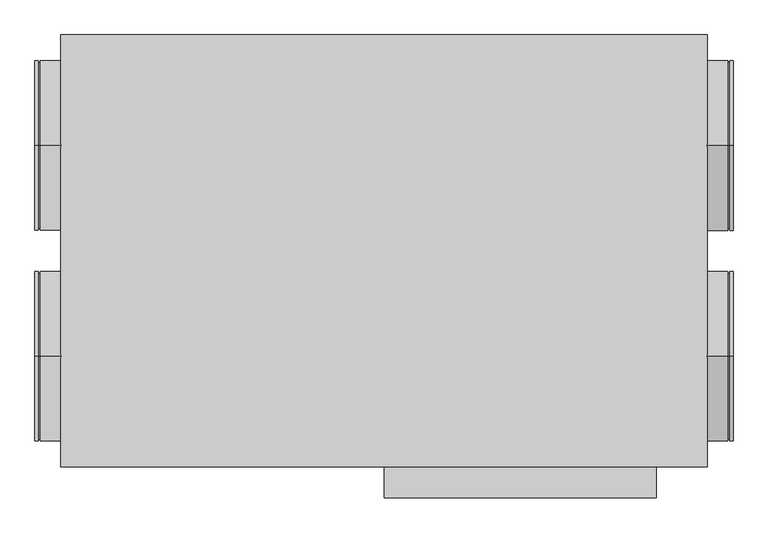
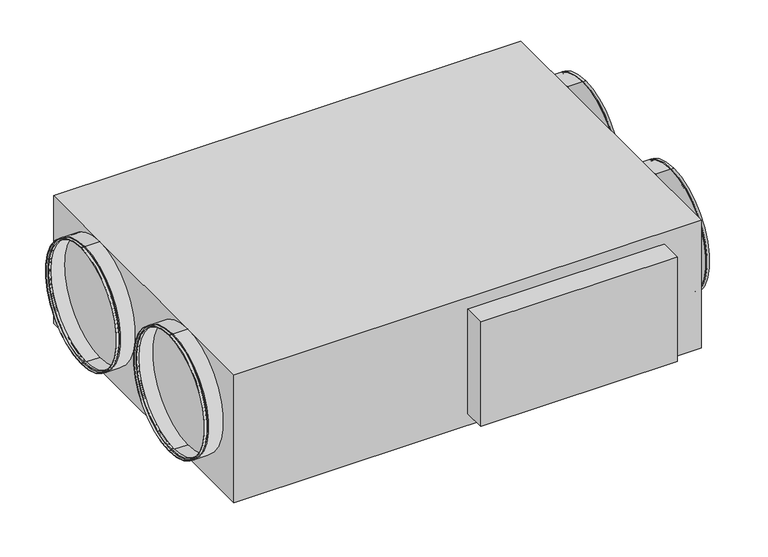
"""IFC4 building model written with IfcOpenShell, lengths in millimetres: proxy geometry."""

import ifcopenshell
import ifcopenshell.guid

model = None  # the IFC model being written
_history = None  # IfcOwnerHistory: only IFC2X3 demands one
_inside = {}  # id of a spatial element -> (the spatial element, [elements in it])
_under = {}  # id of a project, library or spatial element -> (it, [spatial elements below it])
_declared = {}  # id of a project -> (the project, [libraries it declares])
_typed = {}  # id of a type object -> (the type object, [elements of that type])
_made_of = {}  # id of a material, layer set ... -> (it, [elements and type objects made of it])


def new_model(schema):
    """Start an empty IFC model of exactly this schema.

    Asked for "IFC4X3", IfcOpenShell would pick the latest addendum, in which some entities
    have other attributes; the version numbers below select the first issue.
    IFC2X3 requires an IfcOwnerHistory on every rooted entity: one is made here for all.
    """
    global model, _history
    if schema == "IFC4X3":
        model = ifcopenshell.file(schema_version=(4, 3, 0, 0))
    else:
        model = ifcopenshell.file(schema=schema)
    _inside.clear()
    _under.clear()
    _declared.clear()
    _typed.clear()
    _made_of.clear()
    _history = None
    if model.schema == "IFC2X3":
        org = make("IfcOrganization", Name="unknown")
        user = make(
            "IfcPersonAndOrganization",
            ThePerson=make("IfcPerson", FamilyName="unknown"),
            TheOrganization=org,
        )
        app = make(
            "IfcApplication",
            ApplicationDeveloper=org,
            Version="unknown",
            ApplicationFullName="unknown",
            ApplicationIdentifier="unknown",
        )
        _history = make(
            "IfcOwnerHistory",
            OwningUser=user,
            OwningApplication=app,
            ChangeAction="ADDED",
            CreationDate=0,
        )
    return model


def make(cls, **values):
    """One entity of the class cls with the attributes given. An attribute that is None is left unset."""
    return model.create_entity(
        cls, **{name: value for name, value in values.items() if value is not None}
    )


def rooted(cls, **values):
    """An entity with a GlobalId (a new one), such as an element, a storey or a relation."""
    return make(cls, GlobalId=ifcopenshell.guid.new(), OwnerHistory=_history, **values)


def si_unit(unit_type, name, prefix=None):
    """IfcSIUnit, for example si_unit("LENGTHUNIT", "METRE", prefix="MILLI")."""
    return make("IfcSIUnit", UnitType=unit_type, Prefix=prefix, Name=name)


def assignment(units):
    """IfcUnitAssignment: the units of a project."""
    return None if units is None else make("IfcUnitAssignment", Units=units)


def point(xyz):
    """IfcCartesianPoint."""
    return None if xyz is None else make("IfcCartesianPoint", Coordinates=xyz)


def direction(xyz):
    """IfcDirection."""
    return None if xyz is None else make("IfcDirection", DirectionRatios=xyz)


def frame(location, z_axis=None, x_axis=None):
    """IfcAxis2Placement3D, a coordinate frame: its origin and axes. An axis left out is left unset."""
    return make(
        "IfcAxis2Placement3D",
        Location=point(location),
        Axis=direction(z_axis),
        RefDirection=direction(x_axis),
    )


def origin():
    """The frame at (0, 0, 0) with its axes left unset."""
    return frame((0.0, 0.0, 0.0))


def origin_with_axes():
    """The frame at (0, 0, 0) with the z axis (0, 0, 1) and the x axis (1, 0, 0) written out."""
    return frame((0.0, 0.0, 0.0), z_axis=(0.0, 0.0, 1.0), x_axis=(1.0, 0.0, 0.0))


def place(relative_to, where):
    """IfcLocalPlacement: puts the frame where relative to a parent placement (None: the world)."""
    return make(
        "IfcLocalPlacement", PlacementRelTo=relative_to, RelativePlacement=where
    )


def context(
    kind, dimensions, precision=None, world=None, true_north=None, identifier=None
):
    """IfcGeometricRepresentationContext, for example the 3D "Model" context."""
    return make(
        "IfcGeometricRepresentationContext",
        ContextIdentifier=identifier,
        ContextType=kind,
        CoordinateSpaceDimension=dimensions,
        Precision=precision,
        WorldCoordinateSystem=world,
        TrueNorth=true_north,
    )


def project(units=None, contexts=None):
    """IfcProject with its units and contexts."""
    return rooted(
        "IfcProject",
        Name="project",
        RepresentationContexts=contexts,
        UnitsInContext=assignment(units),
    )


def spatial(cls, under=None, at=None, **own):
    """A site, building, storey or space (cls), placed at a placement, below another one or the project."""
    s = rooted(cls, ObjectPlacement=at, **own)
    if under is not None:
        _under.setdefault(under.id(), (under, []))[1].append(s)
    return s


def polyline(points):
    """IfcPolyline through the points."""
    return make("IfcPolyline", Points=[point(p) for p in points])


def circle_curve(where, radius):
    """IfcCircle in the frame where."""
    return make("IfcCircle", Position=where, Radius=radius)


def outline(outer, holes=None, kind="AREA"):
    """IfcArbitraryClosedProfileDef: a profile drawn as a closed curve; with holes, ...WithVoids."""
    if holes is None:
        return make("IfcArbitraryClosedProfileDef", ProfileType=kind, OuterCurve=outer)
    return make(
        "IfcArbitraryProfileDefWithVoids",
        ProfileType=kind,
        OuterCurve=outer,
        InnerCurves=holes,
    )


def extrude(swept, where, along, depth):
    """IfcExtrudedAreaSolid: the profile swept, set in the frame where, extruded along a direction by depth."""
    return make(
        "IfcExtrudedAreaSolid",
        SweptArea=swept,
        Position=where,
        ExtrudedDirection=direction(along),
        Depth=depth,
    )


def shape(context_of_items, identifier, shape_type, items):
    """IfcShapeRepresentation: the items that make up one representation, for example the "Body"."""
    return make(
        "IfcShapeRepresentation",
        ContextOfItems=context_of_items,
        RepresentationIdentifier=identifier,
        RepresentationType=shape_type,
        Items=items,
    )


def source(mapping_origin, context_of_items, identifier, shape_type, items):
    """IfcRepresentationMap: a shape defined once, which mapped items show again and again."""
    return make(
        "IfcRepresentationMap",
        MappingOrigin=mapping_origin,
        MappedRepresentation=shape(context_of_items, identifier, shape_type, items),
    )


def transform(
    local_origin,
    x_axis=None,
    y_axis=None,
    z_axis=None,
    scale=None,
    scale2=None,
    scale3=None,
    uniform=True,
):
    """IfcCartesianTransformationOperator3D, or its non-uniform kind. x_axis, y_axis, z_axis: its Axis1, 2, 3."""
    if uniform:
        return make(
            "IfcCartesianTransformationOperator3D",
            Axis1=direction(x_axis),
            Axis2=direction(y_axis),
            LocalOrigin=point(local_origin),
            Scale=scale,
            Axis3=direction(z_axis),
        )
    return make(
        "IfcCartesianTransformationOperator3DnonUniform",
        Axis1=direction(x_axis),
        Axis2=direction(y_axis),
        LocalOrigin=point(local_origin),
        Scale=scale,
        Axis3=direction(z_axis),
        Scale2=scale2,
        Scale3=scale3,
    )


def mapped(mapping_source, mapping_target):
    """IfcMappedItem: shows the shape of a source again, moved by a transform."""
    return make(
        "IfcMappedItem", MappingSource=mapping_source, MappingTarget=mapping_target
    )


def made_of(thing, what):
    """Note that an element or type object is made of a material, layer set ...; save() writes the relation."""
    if what is not None:
        _made_of.setdefault(what.id(), (what, []))[1].append(thing)
    return thing


def element(
    cls,
    number,
    at=None,
    inside=None,
    cuts=None,
    type_object=None,
    material=None,
    context=None,
    identifier="Body",
    shape_type=None,
    held_by="IfcProductDefinitionShape",
    body=None,
    shapes=None,
    **own,
):
    """One element of the class cls, such as IfcWall. Its Tag is "e" and its number.

    at: its placement. inside: the storey or other place that contains it. cuts: it is an
    opening in that element (IfcRelVoidsElement). A single representation is given by context,
    identifier, shape_type and body (its items); several are given by shapes. held_by: the class
    of the entity that holds the representations. save() writes the other relations.
    """
    e = rooted(cls, Tag="e%d" % number, ObjectPlacement=at, **own)
    if body is not None:
        shapes = [shape(context, identifier, shape_type, body)]
    if shapes is not None:
        e.Representation = make(held_by, Representations=shapes)
    if inside is not None:
        _inside.setdefault(inside.id(), (inside, []))[1].append(e)
    if cuts is not None:
        rooted(
            "IfcRelVoidsElement", RelatingBuildingElement=cuts, RelatedOpeningElement=e
        )
    if type_object is not None:
        _typed.setdefault(type_object.id(), (type_object, []))[1].append(e)
    return made_of(e, material)


def aggregate(whole, parts):
    """IfcRelAggregates: a whole, such as a stair, and the parts it consists of."""
    return rooted("IfcRelAggregates", RelatingObject=whole, RelatedObjects=parts)


def save(model, path):
    """Write the relations noted so far, then the file.

    IfcRelAggregates (storeys below a building ...), IfcRelContainedInSpatialStructure (elements
    in a storey), IfcRelDefinesByType, IfcRelAssociatesMaterial and IfcRelDeclares: one each for
    every whole, place, type object, material and project.
    """
    for whole, parts in _under.values():
        aggregate(whole, parts)
    for where, things in _inside.values():
        rooted(
            "IfcRelContainedInSpatialStructure",
            RelatedElements=things,
            RelatingStructure=where,
        )
    for kind, things in _typed.values():
        rooted("IfcRelDefinesByType", RelatedObjects=things, RelatingType=kind)
    for what, things in _made_of.values():
        rooted("IfcRelAssociatesMaterial", RelatedObjects=things, RelatingMaterial=what)
    for by, libraries in _declared.values():
        rooted("IfcRelDeclares", RelatingContext=by, RelatedDefinitions=libraries)
    model.write(path)


def plane_surface(at):
    """IfcPlane: the flat surface through the origin of the frame at, square to its z axis."""
    return make("IfcPlane", Position=at)


def cylinder_surface(at, radius):
    """IfcCylindricalSurface: all points at the distance radius from the z axis of the frame at."""
    return make("IfcCylindricalSurface", Position=at, Radius=radius)


def revolved_surface(curve, axis_point, axis_direction):
    """IfcSurfaceOfRevolution: the curve turned about the line through axis_point along axis_direction."""
    return make(
        "IfcSurfaceOfRevolution",
        SweptCurve=make("IfcArbitraryOpenProfileDef", ProfileType="CURVE", Curve=curve),
        AxisPosition=make("IfcAxis1Placement", Location=point(axis_point), Axis=direction(axis_direction)),
    )


def advanced_brep(points, edges, surfaces, faces):
    """IfcAdvancedBrep: a solid bounded by faces that lie on surfaces and meet in shared edges.

    An edge is (start, end): straight between two places in points (the first is 0);
    or (start, end, curve); or (start, end, curve, False) where it runs against its curve.
    A face is (place in surfaces, loops), or (place, loops, False) where it looks against
    its surface's normal. A loop lists edges by number (the first is 1), with a minus sign
    where the edge is run from its end to its start. The first loop is the outer one.
    """
    corners = [point(p) for p in points]
    vertices = [make("IfcVertexPoint", VertexGeometry=c) for c in corners]
    made = []
    for start, end, *more in edges:
        made.append(
            make(
                "IfcEdgeCurve",
                EdgeStart=vertices[start],
                EdgeEnd=vertices[end],
                EdgeGeometry=more[0] if more else make("IfcPolyline", Points=[corners[start], corners[end]]),
                SameSense=more[1] if len(more) > 1 else True,
            )
        )
    hull = []
    for where, loops, *sense in faces:
        bounds = []
        for j, loop in enumerate(loops):
            ring = [make("IfcOrientedEdge", EdgeElement=made[abs(k) - 1], Orientation=k > 0) for k in loop]
            bounds.append(
                make(
                    "IfcFaceOuterBound" if j == 0 else "IfcFaceBound",
                    Bound=make("IfcEdgeLoop", EdgeList=ring),
                    Orientation=True,
                )
            )
        hull.append(make("IfcAdvancedFace", Bounds=bounds, FaceSurface=surfaces[where], SameSense=sense[0] if sense else True))
    return make("IfcAdvancedBrep", Outer=make("IfcClosedShell", CfsFaces=hull))


def mechanical_equipment_69a0a9dc(model_context):
    return source(origin(), model_context, "Body", "SolidModel", [
        advanced_brep(
        [(-1016.0, -310.0, 550.0), (-1016.0, -310.0, 50.0), (-1026.0, -310.0, 50.0), (-1026.0, -310.0, 550.0), (-1016.0, -310.0, 545.0), (-1016.0, -310.0, 55.0), (-1011.0, -310.0, 545.0), (-1011.0, -310.0, 55.0), (-1011.0, -310.0, 550.0), (-1011.0, -310.0, 50.0), (-950.0, -310.0, 550.0), (-950.0, -310.0, 50.0), (-950.0, -310.0, 548.0), (-950.0, -310.0, 52.0), (-1009.0, -310.0, 548.0), (-1009.0, -310.0, 52.0), (-1009.0, -310.0, 543.0), (-1009.0, -310.0, 57.0), (-1018.0, -310.0, 543.0), (-1018.0, -310.0, 57.0), (-1018.0, -310.0, 548.0), (-1018.0, -310.0, 52.0), (-1026.0, -310.0, 548.0), (-1026.0, -310.0, 52.0)],
        [
            (0, 1, circle_curve(frame((-1016.0, -310.0, 300.0), z_axis=(-1.0, 0.0, 0.0), x_axis=(0.0, 0.0, -1.0)), 250.0)),
            (1, 2),
            (2, 3, circle_curve(frame((-1026.0, -310.0, 300.0), z_axis=(1.0, 0.0, 0.0), x_axis=(0.0, 0.0, -1.0)), 250.0)),
            (3, 0),
            (1, 0, circle_curve(frame((-1016.0, -310.0, 300.0), z_axis=(-1.0, 0.0, 0.0), x_axis=(0.0, 0.0, -1.0)), 250.0)),
            (3, 2, circle_curve(frame((-1026.0, -310.0, 300.0), z_axis=(1.0, 0.0, 0.0), x_axis=(0.0, 0.0, -1.0)), 250.0)),
            (4, 5, circle_curve(frame((-1016.0, -310.0, 300.0), z_axis=(-1.0, 0.0, 0.0), x_axis=(0.0, 0.0, -1.0)), 245.0)),
            (5, 1),
            (0, 4),
            (5, 4, circle_curve(frame((-1016.0, -310.0, 300.0), z_axis=(-1.0, 0.0, 0.0), x_axis=(0.0, 0.0, -1.0)), 245.0)),
            (6, 7, circle_curve(frame((-1011.0, -310.0, 300.0), z_axis=(-1.0, 0.0, 0.0), x_axis=(0.0, 0.0, -1.0)), 245.0)),
            (7, 5),
            (4, 6),
            (7, 6, circle_curve(frame((-1011.0, -310.0, 300.0), z_axis=(-1.0, 0.0, 0.0), x_axis=(0.0, 0.0, -1.0)), 245.0)),
            (8, 9, circle_curve(frame((-1011.0, -310.0, 300.0), z_axis=(-1.0, 0.0, 0.0), x_axis=(0.0, 0.0, -1.0)), 250.0)),
            (9, 7),
            (6, 8),
            (9, 8, circle_curve(frame((-1011.0, -310.0, 300.0), z_axis=(-1.0, 0.0, 0.0), x_axis=(0.0, 0.0, -1.0)), 250.0)),
            (10, 11, circle_curve(frame((-950.0, -310.0, 300.0), z_axis=(-1.0, 0.0, 0.0), x_axis=(0.0, 0.0, -1.0)), 250.0)),
            (11, 9),
            (8, 10),
            (11, 10, circle_curve(frame((-950.0, -310.0, 300.0), z_axis=(-1.0, 0.0, 0.0), x_axis=(0.0, 0.0, -1.0)), 250.0)),
            (12, 13, circle_curve(frame((-950.0, -310.0, 300.0), z_axis=(-1.0, 0.0, 0.0), x_axis=(0.0, 0.0, -1.0)), 248.0)),
            (13, 11),
            (10, 12),
            (13, 12, circle_curve(frame((-950.0, -310.0, 300.0), z_axis=(-1.0, 0.0, 0.0), x_axis=(0.0, 0.0, -1.0)), 248.0)),
            (14, 15, circle_curve(frame((-1009.0, -310.0, 300.0), z_axis=(-1.0, 0.0, 0.0), x_axis=(0.0, 0.0, -1.0)), 248.0)),
            (15, 13),
            (12, 14),
            (15, 14, circle_curve(frame((-1009.0, -310.0, 300.0), z_axis=(-1.0, 0.0, 0.0), x_axis=(0.0, 0.0, -1.0)), 248.0)),
            (16, 17, circle_curve(frame((-1009.0, -310.0, 300.0), z_axis=(-1.0, 0.0, 0.0), x_axis=(0.0, 0.0, -1.0)), 243.0)),
            (17, 15),
            (14, 16),
            (17, 16, circle_curve(frame((-1009.0, -310.0, 300.0), z_axis=(-1.0, 0.0, 0.0), x_axis=(0.0, 0.0, -1.0)), 243.0)),
            (18, 19, circle_curve(frame((-1018.0, -310.0, 300.0), z_axis=(-1.0, 0.0, 0.0), x_axis=(0.0, 0.0, -1.0)), 243.0)),
            (19, 17),
            (16, 18),
            (19, 18, circle_curve(frame((-1018.0, -310.0, 300.0), z_axis=(-1.0, 0.0, 0.0), x_axis=(0.0, 0.0, -1.0)), 243.0)),
            (20, 21, circle_curve(frame((-1018.0, -310.0, 300.0), z_axis=(-1.0, 0.0, 0.0), x_axis=(0.0, 0.0, -1.0)), 248.0)),
            (21, 19),
            (18, 20),
            (21, 20, circle_curve(frame((-1018.0, -310.0, 300.0), z_axis=(-1.0, 0.0, 0.0), x_axis=(0.0, 0.0, -1.0)), 248.0)),
            (22, 23, circle_curve(frame((-1026.0, -310.0, 300.0), z_axis=(-1.0, 0.0, 0.0), x_axis=(0.0, 0.0, -1.0)), 248.0)),
            (23, 21),
            (20, 22),
            (23, 22, circle_curve(frame((-1026.0, -310.0, 300.0), z_axis=(-1.0, 0.0, 0.0), x_axis=(0.0, 0.0, -1.0)), 248.0)),
            (2, 23),
            (22, 3),
        ],
        [
            cylinder_surface(frame((-2561.0440172, -310.0, 300.0), z_axis=(1.0, 0.0, 0.0), x_axis=(0.0, 0.0, -1.0)), 250.0),
            plane_surface(frame((-1016.0, -310.0, 300.0), z_axis=(1.0, 0.0, 0.0), x_axis=(0.0, 0.0, -1.0))),
            cylinder_surface(frame((-2561.0440172, -310.0, 300.0), z_axis=(1.0, 0.0, 0.0), x_axis=(0.0, 0.0, -1.0)), 245.0),
            plane_surface(frame((-1011.0, -310.0, 300.0), z_axis=(-1.0, 0.0, 0.0), x_axis=(0.0, 0.0, -1.0))),
            plane_surface(frame((-950.0, -310.0, 300.0), z_axis=(1.0, 0.0, 0.0), x_axis=(0.0, 0.0, -1.0))),
            revolved_surface(polyline([(-950.0, -310.0, 52.0), (-1009.0, -310.0, 52.0)]), (-2561.0440172, -310.0, 300.0), (1.0, 0.0, 0.0)),
            plane_surface(frame((-1009.0, -310.0, 300.0), z_axis=(1.0, 0.0, 0.0), x_axis=(0.0, 0.0, -1.0))),
            revolved_surface(polyline([(-1009.0, -310.0, 57.0), (-1018.0, -310.0, 57.0)]), (-2561.0440172, -310.0, 300.0), (1.0, 0.0, 0.0)),
            plane_surface(frame((-1018.0, -310.0, 300.0), z_axis=(-1.0, 0.0, 0.0), x_axis=(0.0, 0.0, -1.0))),
            revolved_surface(polyline([(-1018.0, -310.0, 52.0), (-1026.0, -310.0, 52.0)]), (-2561.0440172, -310.0, 300.0), (1.0, 0.0, 0.0)),
            plane_surface(frame((-1026.0, -310.0, 300.0), z_axis=(-1.0, 0.0, 0.0), x_axis=(0.0, 0.0, -1.0))),
        ],
        [
            (0, [[1, 2, 3, 4]]),
            (0, [[5, -4, 6, -2]]),
            (1, [[7, 8, -1, 9]]),
            (1, [[10, -9, -5, -8]]),
            (2, [[11, 12, -7, 13]]),
            (2, [[14, -13, -10, -12]]),
            (3, [[15, 16, -11, 17]]),
            (3, [[18, -17, -14, -16]]),
            (0, [[19, 20, -15, 21]]),
            (0, [[22, -21, -18, -20]]),
            (4, [[23, 24, -19, 25]]),
            (4, [[26, -25, -22, -24]]),
            (5, [[27, 28, -23, 29]]),
            (5, [[30, -29, -26, -28]]),
            (6, [[31, 32, -27, 33]]),
            (6, [[34, -33, -30, -32]]),
            (7, [[35, 36, -31, 37]]),
            (7, [[38, -37, -34, -36]]),
            (8, [[39, 40, -35, 41]]),
            (8, [[42, -41, -38, -40]]),
            (9, [[43, 44, -39, 45]]),
            (9, [[46, -45, -42, -44]]),
            (10, [[-3, 47, -43, 48]]),
            (10, [[-6, -48, -46, -47]]),
        ],
    ),
        advanced_brep(
        [(-1016.0, 310.0, 550.0), (-1016.0, 310.0, 50.0), (-1026.0, 310.0, 50.0), (-1026.0, 310.0, 550.0), (-1016.0, 310.0, 545.0), (-1016.0, 310.0, 55.0), (-1011.0, 310.0, 545.0), (-1011.0, 310.0, 55.0), (-1011.0, 310.0, 550.0), (-1011.0, 310.0, 50.0), (-950.0, 310.0, 550.0), (-950.0, 310.0, 50.0), (-950.0, 310.0, 548.0), (-950.0, 310.0, 52.0), (-1009.0, 310.0, 548.0), (-1009.0, 310.0, 52.0), (-1009.0, 310.0, 543.0), (-1009.0, 310.0, 57.0), (-1018.0, 310.0, 543.0), (-1018.0, 310.0, 57.0), (-1018.0, 310.0, 548.0), (-1018.0, 310.0, 52.0), (-1026.0, 310.0, 548.0), (-1026.0, 310.0, 52.0)],
        [
            (0, 1, circle_curve(frame((-1016.0, 310.0, 300.0), z_axis=(-1.0, 0.0, 0.0), x_axis=(0.0, 0.0, -1.0)), 250.0)),
            (1, 2),
            (2, 3, circle_curve(frame((-1026.0, 310.0, 300.0), z_axis=(1.0, 0.0, 0.0), x_axis=(0.0, 0.0, -1.0)), 250.0)),
            (3, 0),
            (1, 0, circle_curve(frame((-1016.0, 310.0, 300.0), z_axis=(-1.0, 0.0, 0.0), x_axis=(0.0, 0.0, -1.0)), 250.0)),
            (3, 2, circle_curve(frame((-1026.0, 310.0, 300.0), z_axis=(1.0, 0.0, 0.0), x_axis=(0.0, 0.0, -1.0)), 250.0)),
            (4, 5, circle_curve(frame((-1016.0, 310.0, 300.0), z_axis=(-1.0, 0.0, 0.0), x_axis=(0.0, 0.0, -1.0)), 245.0)),
            (5, 1),
            (0, 4),
            (5, 4, circle_curve(frame((-1016.0, 310.0, 300.0), z_axis=(-1.0, 0.0, 0.0), x_axis=(0.0, 0.0, -1.0)), 245.0)),
            (6, 7, circle_curve(frame((-1011.0, 310.0, 300.0), z_axis=(-1.0, 0.0, 0.0), x_axis=(0.0, 0.0, -1.0)), 245.0)),
            (7, 5),
            (4, 6),
            (7, 6, circle_curve(frame((-1011.0, 310.0, 300.0), z_axis=(-1.0, 0.0, 0.0), x_axis=(0.0, 0.0, -1.0)), 245.0)),
            (8, 9, circle_curve(frame((-1011.0, 310.0, 300.0), z_axis=(-1.0, 0.0, 0.0), x_axis=(0.0, 0.0, -1.0)), 250.0)),
            (9, 7),
            (6, 8),
            (9, 8, circle_curve(frame((-1011.0, 310.0, 300.0), z_axis=(-1.0, 0.0, 0.0), x_axis=(0.0, 0.0, -1.0)), 250.0)),
            (10, 11, circle_curve(frame((-950.0, 310.0, 300.0), z_axis=(-1.0, 0.0, 0.0), x_axis=(0.0, 0.0, -1.0)), 250.0)),
            (11, 9),
            (8, 10),
            (11, 10, circle_curve(frame((-950.0, 310.0, 300.0), z_axis=(-1.0, 0.0, 0.0), x_axis=(0.0, 0.0, -1.0)), 250.0)),
            (12, 13, circle_curve(frame((-950.0, 310.0, 300.0), z_axis=(-1.0, 0.0, 0.0), x_axis=(0.0, 0.0, -1.0)), 248.0)),
            (13, 11),
            (10, 12),
            (13, 12, circle_curve(frame((-950.0, 310.0, 300.0), z_axis=(-1.0, 0.0, 0.0), x_axis=(0.0, 0.0, -1.0)), 248.0)),
            (14, 15, circle_curve(frame((-1009.0, 310.0, 300.0), z_axis=(-1.0, 0.0, 0.0), x_axis=(0.0, 0.0, -1.0)), 248.0)),
            (15, 13),
            (12, 14),
            (15, 14, circle_curve(frame((-1009.0, 310.0, 300.0), z_axis=(-1.0, 0.0, 0.0), x_axis=(0.0, 0.0, -1.0)), 248.0)),
            (16, 17, circle_curve(frame((-1009.0, 310.0, 300.0), z_axis=(-1.0, 0.0, 0.0), x_axis=(0.0, 0.0, -1.0)), 243.0)),
            (17, 15),
            (14, 16),
            (17, 16, circle_curve(frame((-1009.0, 310.0, 300.0), z_axis=(-1.0, 0.0, 0.0), x_axis=(0.0, 0.0, -1.0)), 243.0)),
            (18, 19, circle_curve(frame((-1018.0, 310.0, 300.0), z_axis=(-1.0, 0.0, 0.0), x_axis=(0.0, 0.0, -1.0)), 243.0)),
            (19, 17),
            (16, 18),
            (19, 18, circle_curve(frame((-1018.0, 310.0, 300.0), z_axis=(-1.0, 0.0, 0.0), x_axis=(0.0, 0.0, -1.0)), 243.0)),
            (20, 21, circle_curve(frame((-1018.0, 310.0, 300.0), z_axis=(-1.0, 0.0, 0.0), x_axis=(0.0, 0.0, -1.0)), 248.0)),
            (21, 19),
            (18, 20),
            (21, 20, circle_curve(frame((-1018.0, 310.0, 300.0), z_axis=(-1.0, 0.0, 0.0), x_axis=(0.0, 0.0, -1.0)), 248.0)),
            (22, 23, circle_curve(frame((-1026.0, 310.0, 300.0), z_axis=(-1.0, 0.0, 0.0), x_axis=(0.0, 0.0, -1.0)), 248.0)),
            (23, 21),
            (20, 22),
            (23, 22, circle_curve(frame((-1026.0, 310.0, 300.0), z_axis=(-1.0, 0.0, 0.0), x_axis=(0.0, 0.0, -1.0)), 248.0)),
            (2, 23),
            (22, 3),
        ],
        [
            cylinder_surface(frame((-2561.0440172, 310.0, 300.0), z_axis=(1.0, 0.0, 0.0), x_axis=(0.0, 0.0, -1.0)), 250.0),
            plane_surface(frame((-1016.0, 310.0, 300.0), z_axis=(1.0, 0.0, 0.0), x_axis=(0.0, 0.0, -1.0))),
            cylinder_surface(frame((-2561.0440172, 310.0, 300.0), z_axis=(1.0, 0.0, 0.0), x_axis=(0.0, 0.0, -1.0)), 245.0),
            plane_surface(frame((-1011.0, 310.0, 300.0), z_axis=(-1.0, 0.0, 0.0), x_axis=(0.0, 0.0, -1.0))),
            plane_surface(frame((-950.0, 310.0, 300.0), z_axis=(1.0, 0.0, 0.0), x_axis=(0.0, 0.0, -1.0))),
            revolved_surface(polyline([(-950.0, 310.0, 52.0), (-1009.0, 310.0, 52.0)]), (-2561.0440172, 310.0, 300.0), (1.0, 0.0, 0.0)),
            plane_surface(frame((-1009.0, 310.0, 300.0), z_axis=(1.0, 0.0, 0.0), x_axis=(0.0, 0.0, -1.0))),
            revolved_surface(polyline([(-1009.0, 310.0, 57.0), (-1018.0, 310.0, 57.0)]), (-2561.0440172, 310.0, 300.0), (1.0, 0.0, 0.0)),
            plane_surface(frame((-1018.0, 310.0, 300.0), z_axis=(-1.0, 0.0, 0.0), x_axis=(0.0, 0.0, -1.0))),
            revolved_surface(polyline([(-1018.0, 310.0, 52.0), (-1026.0, 310.0, 52.0)]), (-2561.0440172, 310.0, 300.0), (1.0, 0.0, 0.0)),
            plane_surface(frame((-1026.0, 310.0, 300.0), z_axis=(-1.0, 0.0, 0.0), x_axis=(0.0, 0.0, -1.0))),
        ],
        [
            (0, [[1, 2, 3, 4]]),
            (0, [[5, -4, 6, -2]]),
            (1, [[7, 8, -1, 9]]),
            (1, [[10, -9, -5, -8]]),
            (2, [[11, 12, -7, 13]]),
            (2, [[14, -13, -10, -12]]),
            (3, [[15, 16, -11, 17]]),
            (3, [[18, -17, -14, -16]]),
            (0, [[19, 20, -15, 21]]),
            (0, [[22, -21, -18, -20]]),
            (4, [[23, 24, -19, 25]]),
            (4, [[26, -25, -22, -24]]),
            (5, [[27, 28, -23, 29]]),
            (5, [[30, -29, -26, -28]]),
            (6, [[31, 32, -27, 33]]),
            (6, [[34, -33, -30, -32]]),
            (7, [[35, 36, -31, 37]]),
            (7, [[38, -37, -34, -36]]),
            (8, [[39, 40, -35, 41]]),
            (8, [[42, -41, -38, -40]]),
            (9, [[43, 44, -39, 45]]),
            (9, [[46, -45, -42, -44]]),
            (10, [[-3, 47, -43, 48]]),
            (10, [[-6, -48, -46, -47]]),
        ],
    ),
        advanced_brep(
        [(1016.0, 310.0, 50.0), (1016.0, 310.0, 550.0), (1026.0, 310.0, 550.0), (1026.0, 310.0, 50.0), (1016.0, 310.0, 55.0), (1016.0, 310.0, 545.0), (1011.0, 310.0, 55.0), (1011.0, 310.0, 545.0), (1011.0, 310.0, 50.0), (1011.0, 310.0, 550.0), (950.0, 310.0, 50.0), (950.0, 310.0, 550.0), (950.0, 310.0, 52.0), (950.0, 310.0, 548.0), (1009.0, 310.0, 52.0), (1009.0, 310.0, 548.0), (1009.0, 310.0, 57.0), (1009.0, 310.0, 543.0), (1018.0, 310.0, 57.0), (1018.0, 310.0, 543.0), (1018.0, 310.0, 52.0), (1018.0, 310.0, 548.0), (1026.0, 310.0, 52.0), (1026.0, 310.0, 548.0)],
        [
            (0, 1, circle_curve(frame((1016.0, 310.0, 300.0), z_axis=(1.0, 0.0, 0.0), x_axis=(0.0, 0.0, 1.0)), 250.0)),
            (1, 2),
            (2, 3, circle_curve(frame((1026.0, 310.0, 300.0), z_axis=(-1.0, 0.0, 0.0), x_axis=(0.0, 0.0, 1.0)), 250.0)),
            (3, 0),
            (1, 0, circle_curve(frame((1016.0, 310.0, 300.0), z_axis=(1.0, 0.0, 0.0), x_axis=(0.0, 0.0, 1.0)), 250.0)),
            (3, 2, circle_curve(frame((1026.0, 310.0, 300.0), z_axis=(-1.0, 0.0, 0.0), x_axis=(0.0, 0.0, 1.0)), 250.0)),
            (4, 5, circle_curve(frame((1016.0, 310.0, 300.0), z_axis=(1.0, 0.0, 0.0), x_axis=(0.0, 0.0, 1.0)), 245.0)),
            (5, 1),
            (0, 4),
            (5, 4, circle_curve(frame((1016.0, 310.0, 300.0), z_axis=(1.0, 0.0, 0.0), x_axis=(0.0, 0.0, 1.0)), 245.0)),
            (6, 7, circle_curve(frame((1011.0, 310.0, 300.0), z_axis=(1.0, 0.0, 0.0), x_axis=(0.0, 0.0, 1.0)), 245.0)),
            (7, 5),
            (4, 6),
            (7, 6, circle_curve(frame((1011.0, 310.0, 300.0), z_axis=(1.0, 0.0, 0.0), x_axis=(0.0, 0.0, 1.0)), 245.0)),
            (8, 9, circle_curve(frame((1011.0, 310.0, 300.0), z_axis=(1.0, 0.0, 0.0), x_axis=(0.0, 0.0, 1.0)), 250.0)),
            (9, 7),
            (6, 8),
            (9, 8, circle_curve(frame((1011.0, 310.0, 300.0), z_axis=(1.0, 0.0, 0.0), x_axis=(0.0, 0.0, 1.0)), 250.0)),
            (10, 11, circle_curve(frame((950.0, 310.0, 300.0), z_axis=(1.0, 0.0, 0.0), x_axis=(0.0, 0.0, 1.0)), 250.0)),
            (11, 9),
            (8, 10),
            (11, 10, circle_curve(frame((950.0, 310.0, 300.0), z_axis=(1.0, 0.0, 0.0), x_axis=(0.0, 0.0, 1.0)), 250.0)),
            (12, 13, circle_curve(frame((950.0, 310.0, 300.0), z_axis=(1.0, 0.0, 0.0), x_axis=(0.0, 0.0, 1.0)), 248.0)),
            (13, 11),
            (10, 12),
            (13, 12, circle_curve(frame((950.0, 310.0, 300.0), z_axis=(1.0, 0.0, 0.0), x_axis=(0.0, 0.0, 1.0)), 248.0)),
            (14, 15, circle_curve(frame((1009.0, 310.0, 300.0), z_axis=(1.0, 0.0, 0.0), x_axis=(0.0, 0.0, 1.0)), 248.0)),
            (15, 13),
            (12, 14),
            (15, 14, circle_curve(frame((1009.0, 310.0, 300.0), z_axis=(1.0, 0.0, 0.0), x_axis=(0.0, 0.0, 1.0)), 248.0)),
            (16, 17, circle_curve(frame((1009.0, 310.0, 300.0), z_axis=(1.0, 0.0, 0.0), x_axis=(0.0, 0.0, 1.0)), 243.0)),
            (17, 15),
            (14, 16),
            (17, 16, circle_curve(frame((1009.0, 310.0, 300.0), z_axis=(1.0, 0.0, 0.0), x_axis=(0.0, 0.0, 1.0)), 243.0)),
            (18, 19, circle_curve(frame((1018.0, 310.0, 300.0), z_axis=(1.0, 0.0, 0.0), x_axis=(0.0, 0.0, 1.0)), 243.0)),
            (19, 17),
            (16, 18),
            (19, 18, circle_curve(frame((1018.0, 310.0, 300.0), z_axis=(1.0, 0.0, 0.0), x_axis=(0.0, 0.0, 1.0)), 243.0)),
            (20, 21, circle_curve(frame((1018.0, 310.0, 300.0), z_axis=(1.0, 0.0, 0.0), x_axis=(0.0, 0.0, 1.0)), 248.0)),
            (21, 19),
            (18, 20),
            (21, 20, circle_curve(frame((1018.0, 310.0, 300.0), z_axis=(1.0, 0.0, 0.0), x_axis=(0.0, 0.0, 1.0)), 248.0)),
            (22, 23, circle_curve(frame((1026.0, 310.0, 300.0), z_axis=(1.0, 0.0, 0.0), x_axis=(0.0, 0.0, 1.0)), 248.0)),
            (23, 21),
            (20, 22),
            (23, 22, circle_curve(frame((1026.0, 310.0, 300.0), z_axis=(1.0, 0.0, 0.0), x_axis=(0.0, 0.0, 1.0)), 248.0)),
            (2, 23),
            (22, 3),
        ],
        [
            cylinder_surface(frame((2561.0440172, 310.0, 300.0), z_axis=(-1.0, 0.0, 0.0), x_axis=(0.0, 0.0, 1.0)), 250.0),
            plane_surface(frame((1016.0, 310.0, 300.0), z_axis=(-1.0, 0.0, 0.0), x_axis=(0.0, 0.0, 1.0))),
            cylinder_surface(frame((2561.0440172, 310.0, 300.0), z_axis=(-1.0, 0.0, 0.0), x_axis=(0.0, 0.0, 1.0)), 245.0),
            plane_surface(frame((1011.0, 310.0, 300.0), z_axis=(1.0, 0.0, 0.0), x_axis=(0.0, 0.0, 1.0))),
            plane_surface(frame((950.0, 310.0, 300.0), z_axis=(-1.0, 0.0, 0.0), x_axis=(0.0, 0.0, 1.0))),
            revolved_surface(polyline([(950.0, 310.0, 548.0), (1009.0, 310.0, 548.0)]), (2561.0440172, 310.0, 300.0), (-1.0, 0.0, 0.0)),
            plane_surface(frame((1009.0, 310.0, 300.0), z_axis=(-1.0, 0.0, 0.0), x_axis=(0.0, 0.0, 1.0))),
            revolved_surface(polyline([(1009.0, 310.0, 543.0), (1018.0, 310.0, 543.0)]), (2561.0440172, 310.0, 300.0), (-1.0, 0.0, 0.0)),
            plane_surface(frame((1018.0, 310.0, 300.0), z_axis=(1.0, 0.0, 0.0), x_axis=(0.0, 0.0, 1.0))),
            revolved_surface(polyline([(1018.0, 310.0, 548.0), (1026.0, 310.0, 548.0)]), (2561.0440172, 310.0, 300.0), (-1.0, 0.0, 0.0)),
            plane_surface(frame((1026.0, 310.0, 300.0), z_axis=(1.0, 0.0, 0.0), x_axis=(0.0, 0.0, 1.0))),
        ],
        [
            (0, [[1, 2, 3, 4]]),
            (0, [[5, -4, 6, -2]]),
            (1, [[7, 8, -1, 9]]),
            (1, [[10, -9, -5, -8]]),
            (2, [[11, 12, -7, 13]]),
            (2, [[14, -13, -10, -12]]),
            (3, [[15, 16, -11, 17]]),
            (3, [[18, -17, -14, -16]]),
            (0, [[19, 20, -15, 21]]),
            (0, [[22, -21, -18, -20]]),
            (4, [[23, 24, -19, 25]]),
            (4, [[26, -25, -22, -24]]),
            (5, [[27, 28, -23, 29]]),
            (5, [[30, -29, -26, -28]]),
            (6, [[31, 32, -27, 33]]),
            (6, [[34, -33, -30, -32]]),
            (7, [[35, 36, -31, 37]]),
            (7, [[38, -37, -34, -36]]),
            (8, [[39, 40, -35, 41]]),
            (8, [[42, -41, -38, -40]]),
            (9, [[43, 44, -39, 45]]),
            (9, [[46, -45, -42, -44]]),
            (10, [[-3, 47, -43, 48]]),
            (10, [[-6, -48, -46, -47]]),
        ],
    ),
        advanced_brep(
        [(1016.0, -310.0, 50.0), (1016.0, -310.0, 550.0), (1026.0, -310.0, 550.0), (1026.0, -310.0, 50.0), (1016.0, -310.0, 55.0), (1016.0, -310.0, 545.0), (1011.0, -310.0, 55.0), (1011.0, -310.0, 545.0), (1011.0, -310.0, 50.0), (1011.0, -310.0, 550.0), (950.0, -310.0, 50.0), (950.0, -310.0, 550.0), (950.0, -310.0, 52.0), (950.0, -310.0, 548.0), (1009.0, -310.0, 52.0), (1009.0, -310.0, 548.0), (1009.0, -310.0, 57.0), (1009.0, -310.0, 543.0), (1018.0, -310.0, 57.0), (1018.0, -310.0, 543.0), (1018.0, -310.0, 52.0), (1018.0, -310.0, 548.0), (1026.0, -310.0, 52.0), (1026.0, -310.0, 548.0)],
        [
            (0, 1, circle_curve(frame((1016.0, -310.0, 300.0), z_axis=(1.0, 0.0, 0.0), x_axis=(0.0, 0.0, 1.0)), 250.0)),
            (1, 2),
            (2, 3, circle_curve(frame((1026.0, -310.0, 300.0), z_axis=(-1.0, 0.0, 0.0), x_axis=(0.0, 0.0, 1.0)), 250.0)),
            (3, 0),
            (1, 0, circle_curve(frame((1016.0, -310.0, 300.0), z_axis=(1.0, 0.0, 0.0), x_axis=(0.0, 0.0, 1.0)), 250.0)),
            (3, 2, circle_curve(frame((1026.0, -310.0, 300.0), z_axis=(-1.0, 0.0, 0.0), x_axis=(0.0, 0.0, 1.0)), 250.0)),
            (4, 5, circle_curve(frame((1016.0, -310.0, 300.0), z_axis=(1.0, 0.0, 0.0), x_axis=(0.0, 0.0, 1.0)), 245.0)),
            (5, 1),
            (0, 4),
            (5, 4, circle_curve(frame((1016.0, -310.0, 300.0), z_axis=(1.0, 0.0, 0.0), x_axis=(0.0, 0.0, 1.0)), 245.0)),
            (6, 7, circle_curve(frame((1011.0, -310.0, 300.0), z_axis=(1.0, 0.0, 0.0), x_axis=(0.0, 0.0, 1.0)), 245.0)),
            (7, 5),
            (4, 6),
            (7, 6, circle_curve(frame((1011.0, -310.0, 300.0), z_axis=(1.0, 0.0, 0.0), x_axis=(0.0, 0.0, 1.0)), 245.0)),
            (8, 9, circle_curve(frame((1011.0, -310.0, 300.0), z_axis=(1.0, 0.0, 0.0), x_axis=(0.0, 0.0, 1.0)), 250.0)),
            (9, 7),
            (6, 8),
            (9, 8, circle_curve(frame((1011.0, -310.0, 300.0), z_axis=(1.0, 0.0, 0.0), x_axis=(0.0, 0.0, 1.0)), 250.0)),
            (10, 11, circle_curve(frame((950.0, -310.0, 300.0), z_axis=(1.0, 0.0, 0.0), x_axis=(0.0, 0.0, 1.0)), 250.0)),
            (11, 9),
            (8, 10),
            (11, 10, circle_curve(frame((950.0, -310.0, 300.0), z_axis=(1.0, 0.0, 0.0), x_axis=(0.0, 0.0, 1.0)), 250.0)),
            (12, 13, circle_curve(frame((950.0, -310.0, 300.0), z_axis=(1.0, 0.0, 0.0), x_axis=(0.0, 0.0, 1.0)), 248.0)),
            (13, 11),
            (10, 12),
            (13, 12, circle_curve(frame((950.0, -310.0, 300.0), z_axis=(1.0, 0.0, 0.0), x_axis=(0.0, 0.0, 1.0)), 248.0)),
            (14, 15, circle_curve(frame((1009.0, -310.0, 300.0), z_axis=(1.0, 0.0, 0.0), x_axis=(0.0, 0.0, 1.0)), 248.0)),
            (15, 13),
            (12, 14),
            (15, 14, circle_curve(frame((1009.0, -310.0, 300.0), z_axis=(1.0, 0.0, 0.0), x_axis=(0.0, 0.0, 1.0)), 248.0)),
            (16, 17, circle_curve(frame((1009.0, -310.0, 300.0), z_axis=(1.0, 0.0, 0.0), x_axis=(0.0, 0.0, 1.0)), 243.0)),
            (17, 15),
            (14, 16),
            (17, 16, circle_curve(frame((1009.0, -310.0, 300.0), z_axis=(1.0, 0.0, 0.0), x_axis=(0.0, 0.0, 1.0)), 243.0)),
            (18, 19, circle_curve(frame((1018.0, -310.0, 300.0), z_axis=(1.0, 0.0, 0.0), x_axis=(0.0, 0.0, 1.0)), 243.0)),
            (19, 17),
            (16, 18),
            (19, 18, circle_curve(frame((1018.0, -310.0, 300.0), z_axis=(1.0, 0.0, 0.0), x_axis=(0.0, 0.0, 1.0)), 243.0)),
            (20, 21, circle_curve(frame((1018.0, -310.0, 300.0), z_axis=(1.0, 0.0, 0.0), x_axis=(0.0, 0.0, 1.0)), 248.0)),
            (21, 19),
            (18, 20),
            (21, 20, circle_curve(frame((1018.0, -310.0, 300.0), z_axis=(1.0, 0.0, 0.0), x_axis=(0.0, 0.0, 1.0)), 248.0)),
            (22, 23, circle_curve(frame((1026.0, -310.0, 300.0), z_axis=(1.0, 0.0, 0.0), x_axis=(0.0, 0.0, 1.0)), 248.0)),
            (23, 21),
            (20, 22),
            (23, 22, circle_curve(frame((1026.0, -310.0, 300.0), z_axis=(1.0, 0.0, 0.0), x_axis=(0.0, 0.0, 1.0)), 248.0)),
            (2, 23),
            (22, 3),
        ],
        [
            cylinder_surface(frame((2561.0440172, -310.0, 300.0), z_axis=(-1.0, 0.0, 0.0), x_axis=(0.0, 0.0, 1.0)), 250.0),
            plane_surface(frame((1016.0, -310.0, 300.0), z_axis=(-1.0, 0.0, 0.0), x_axis=(0.0, 0.0, 1.0))),
            cylinder_surface(frame((2561.0440172, -310.0, 300.0), z_axis=(-1.0, 0.0, 0.0), x_axis=(0.0, 0.0, 1.0)), 245.0),
            plane_surface(frame((1011.0, -310.0, 300.0), z_axis=(1.0, 0.0, 0.0), x_axis=(0.0, 0.0, 1.0))),
            plane_surface(frame((950.0, -310.0, 300.0), z_axis=(-1.0, 0.0, 0.0), x_axis=(0.0, 0.0, 1.0))),
            revolved_surface(polyline([(950.0, -310.0, 548.0), (1009.0, -310.0, 548.0)]), (2561.0440172, -310.0, 300.0), (-1.0, 0.0, 0.0)),
            plane_surface(frame((1009.0, -310.0, 300.0), z_axis=(-1.0, 0.0, 0.0), x_axis=(0.0, 0.0, 1.0))),
            revolved_surface(polyline([(1009.0, -310.0, 543.0), (1018.0, -310.0, 543.0)]), (2561.0440172, -310.0, 300.0), (-1.0, 0.0, 0.0)),
            plane_surface(frame((1018.0, -310.0, 300.0), z_axis=(1.0, 0.0, 0.0), x_axis=(0.0, 0.0, 1.0))),
            revolved_surface(polyline([(1018.0, -310.0, 548.0), (1026.0, -310.0, 548.0)]), (2561.0440172, -310.0, 300.0), (-1.0, 0.0, 0.0)),
            plane_surface(frame((1026.0, -310.0, 300.0), z_axis=(1.0, 0.0, 0.0), x_axis=(0.0, 0.0, 1.0))),
        ],
        [
            (0, [[1, 2, 3, 4]]),
            (0, [[5, -4, 6, -2]]),
            (1, [[7, 8, -1, 9]]),
            (1, [[10, -9, -5, -8]]),
            (2, [[11, 12, -7, 13]]),
            (2, [[14, -13, -10, -12]]),
            (3, [[15, 16, -11, 17]]),
            (3, [[18, -17, -14, -16]]),
            (0, [[19, 20, -15, 21]]),
            (0, [[22, -21, -18, -20]]),
            (4, [[23, 24, -19, 25]]),
            (4, [[26, -25, -22, -24]]),
            (5, [[27, 28, -23, 29]]),
            (5, [[30, -29, -26, -28]]),
            (6, [[31, 32, -27, 33]]),
            (6, [[34, -33, -30, -32]]),
            (7, [[35, 36, -31, 37]]),
            (7, [[38, -37, -34, -36]]),
            (8, [[39, 40, -35, 41]]),
            (8, [[42, -41, -38, -40]]),
            (9, [[43, 44, -39, 45]]),
            (9, [[46, -45, -42, -44]]),
            (10, [[-3, 47, -43, 48]]),
            (10, [[-6, -48, -46, -47]]),
        ],
    ),
        extrude(outline(polyline([(-950.0, 635.0), (950.0, 635.0), (950.0, -635.0), (-950.0, -635.0), (-950.0, 635.0)])), origin_with_axes(), (0.0, 0.0, 1.0), 550.0),
        extrude(outline(polyline([(800.0, -727.0), (0.0, -727.0), (0.0, -635.0), (800.0, -635.0), (800.0, -727.0)])), frame((0.0, 0.0, 50.0), z_axis=(0.0, 0.0, 1.0), x_axis=(1.0, 0.0, 0.0)), (0.0, 0.0, 1.0), 450.0),
    ])


if __name__ == "__main__":
    model = new_model("IFC4")
    model_context = context("Model", 3, world=origin())
    ifc_project = project(units=[si_unit("LENGTHUNIT", "METRE", prefix="MILLI")], contexts=[model_context])
    site = spatial("IfcSite", under=ifc_project)
    building = spatial("IfcBuilding", under=site)
    placement = place(None, origin())
    mechanical_equipment_shape = mechanical_equipment_69a0a9dc(model_context)
    element("IfcBuildingElementProxy", 1, Name="Mechanical Equipment", at=placement, inside=building, context=model_context, shape_type="MappedRepresentation", body=[
        mapped(mechanical_equipment_shape, transform((0.0, 0.0, 0.0), x_axis=(1.0, 0.0, 0.0), y_axis=(0.0, 1.0, 0.0), z_axis=(0.0, 0.0, 1.0))),
    ])
    save(model, "model.ifc")
